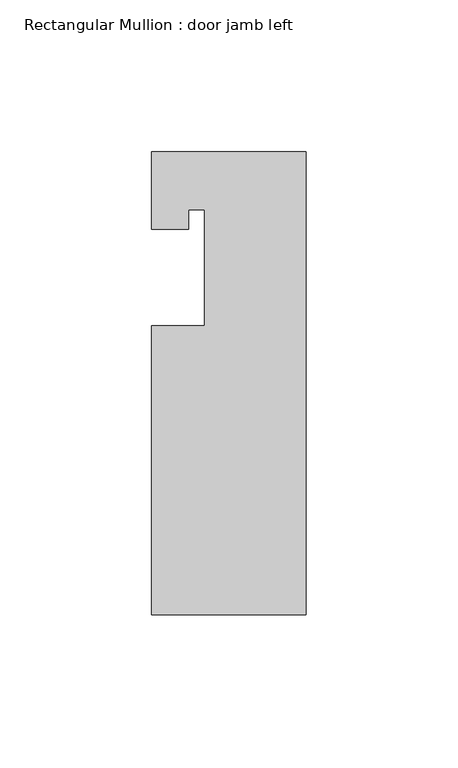
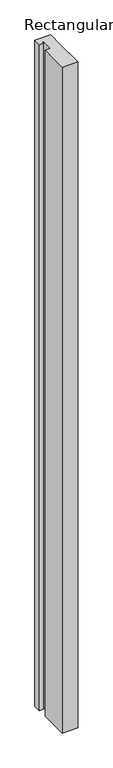
"""IFC4 building model written with IfcOpenShell, lengths in millimetres: member geometry, Rectangular Mullion : door jamb left."""

from ifc_helpers import new_model, si_unit, frame, origin, place, context, project, spatial, polyline, outline, extrude, source, transform, mapped, element, save


def rectangular_mullion_door_jamb_left_985184ad(model_context):
    return source(origin(), model_context, "Body", "SweptSolid", [
        extrude(outline(polyline([(-25.4, -146.05), (-25.4, -50.8), (-7.9502, -50.8), (-7.9502, -12.7), (-13.208, -12.7), (-13.208, -19.05), (-25.4, -19.05), (-25.4, 6.35), (25.4, 6.35), (25.4, -45.8947778), (25.4, -146.05), (-25.4, -146.05)])), frame((0.0, 0.0, -2286.0), z_axis=(0.0, 0.0, 1.0), x_axis=(1.0, 0.0, 0.0)), (0.0, 0.0, 1.0), 2286.0),
    ])


if __name__ == "__main__":
    model = new_model("IFC4")
    model_context = context("Model", 3, world=origin())
    ifc_project = project(units=[si_unit("LENGTHUNIT", "METRE", prefix="MILLI")], contexts=[model_context])
    site = spatial("IfcSite", under=ifc_project)
    building = spatial("IfcBuilding", under=site)
    placement = place(None, origin())
    rectangular_mullion_door_jamb_left_shape = rectangular_mullion_door_jamb_left_985184ad(model_context)
    element("IfcMember", 1, ObjectType="Rectangular Mullion : door jamb left", at=placement, inside=building, context=model_context, shape_type="MappedRepresentation", body=[
        mapped(rectangular_mullion_door_jamb_left_shape, transform((0.0, 0.0, 0.0), x_axis=(1.0, 0.0, 0.0), y_axis=(0.0, 1.0, 0.0), z_axis=(0.0, 0.0, 1.0))),
    ])
    save(model, "model.ifc")
